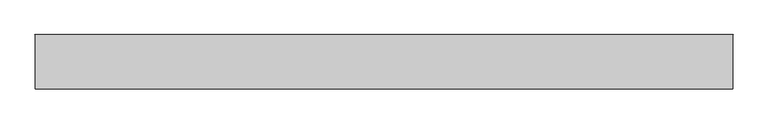
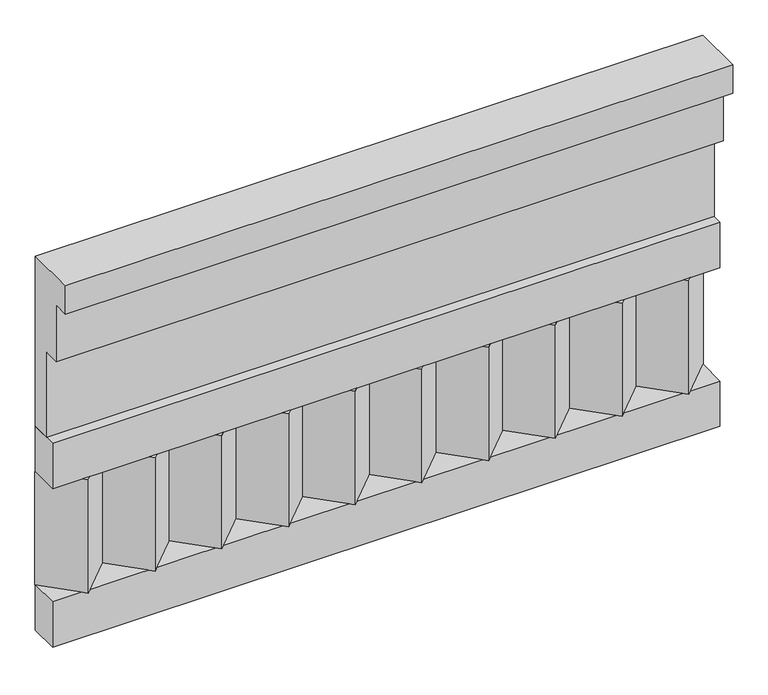
"""IFC4 building model written with IfcOpenShell, lengths in millimetres: railing geometry."""

from ifc_helpers import new_model, si_unit, frame, origin, place, context, project, spatial, polyline, outline, extrude, source, transform, mapped, element, save


def railing_40d311a4(model_context):
    return source(origin(), model_context, "Body", "SweptSolid", [
        extrude(outline(polyline([(-16816.8920513, 15205.0), (-16816.8920513, 14755.0), (-16866.8920513, 14755.0), (-16866.8920513, 14980.0), (-16906.8920513, 14980.0), (-16906.8920513, 15130.0), (-16946.8920513, 15130.0), (-16946.8920513, 15205.0), (-16816.8920513, 15205.0)])), frame((36460.0112841, 0.0, 0.0), z_axis=(1.0, 0.0, 0.0), x_axis=(0.0, 1.0, 0.0)), (0.0, 0.0, 1.0), 1670.0),
        extrude(outline(polyline([(36460.0112841, -16891.8920513), (36460.0112841, -16816.8920513), (38130.0112841, -16816.8920513), (38130.0112841, -16891.8920513), (36460.0112841, -16891.8920513)])), frame((0.0, 0.0, 14635.0), z_axis=(0.0, 0.0, 1.0), x_axis=(1.0, 0.0, 0.0)), (0.0, 0.0, 1.0), 120.0),
        extrude(outline(polyline([(36460.0112841, -16891.8920513), (36460.0112841, -16816.8920513), (38130.0112841, -16816.8920513), (38130.0112841, -16891.8920513), (36460.0112841, -16891.8920513)])), frame((0.0, 0.0, 14215.0), z_axis=(0.0, 0.0, 1.0), x_axis=(1.0, 0.0, 0.0)), (0.0, 0.0, 1.0), 120.0),
        extrude(outline(polyline([(38046.5112841, -16901.7448651), (37961.6584704, -16816.8920513), (38131.3640978, -16816.8920513), (38046.5112841, -16901.7448651)])), frame((0.0, 0.0, 14335.0), z_axis=(0.0, 0.0, 1.0), x_axis=(1.0, 0.0, 0.0)), (0.0, 0.0, 1.0), 300.0),
        extrude(outline(polyline([(37879.5112841, -16901.7448651), (37794.6584704, -16816.8920513), (37964.3640978, -16816.8920513), (37879.5112841, -16901.7448651)])), frame((0.0, 0.0, 14335.0), z_axis=(0.0, 0.0, 1.0), x_axis=(1.0, 0.0, 0.0)), (0.0, 0.0, 1.0), 300.0),
        extrude(outline(polyline([(37712.5112841, -16901.7448651), (37627.6584704, -16816.8920513), (37797.3640978, -16816.8920513), (37712.5112841, -16901.7448651)])), frame((0.0, 0.0, 14335.0), z_axis=(0.0, 0.0, 1.0), x_axis=(1.0, 0.0, 0.0)), (0.0, 0.0, 1.0), 300.0),
        extrude(outline(polyline([(37545.5112841, -16901.7448651), (37460.6584704, -16816.8920513), (37630.3640978, -16816.8920513), (37545.5112841, -16901.7448651)])), frame((0.0, 0.0, 14335.0), z_axis=(0.0, 0.0, 1.0), x_axis=(1.0, 0.0, 0.0)), (0.0, 0.0, 1.0), 300.0),
        extrude(outline(polyline([(37378.5112841, -16901.7448651), (37293.6584704, -16816.8920513), (37463.3640978, -16816.8920513), (37378.5112841, -16901.7448651)])), frame((0.0, 0.0, 14335.0), z_axis=(0.0, 0.0, 1.0), x_axis=(1.0, 0.0, 0.0)), (0.0, 0.0, 1.0), 300.0),
        extrude(outline(polyline([(37211.5112841, -16901.7448651), (37126.6584704, -16816.8920513), (37296.3640978, -16816.8920513), (37211.5112841, -16901.7448651)])), frame((0.0, 0.0, 14335.0), z_axis=(0.0, 0.0, 1.0), x_axis=(1.0, 0.0, 0.0)), (0.0, 0.0, 1.0), 300.0),
        extrude(outline(polyline([(37044.5112841, -16901.7448651), (36959.6584704, -16816.8920513), (37129.3640978, -16816.8920513), (37044.5112841, -16901.7448651)])), frame((0.0, 0.0, 14335.0), z_axis=(0.0, 0.0, 1.0), x_axis=(1.0, 0.0, 0.0)), (0.0, 0.0, 1.0), 300.0),
        extrude(outline(polyline([(36877.5112841, -16901.7448651), (36792.6584704, -16816.8920513), (36962.3640978, -16816.8920513), (36877.5112841, -16901.7448651)])), frame((0.0, 0.0, 14335.0), z_axis=(0.0, 0.0, 1.0), x_axis=(1.0, 0.0, 0.0)), (0.0, 0.0, 1.0), 300.0),
        extrude(outline(polyline([(36710.5112841, -16901.7448651), (36625.6584704, -16816.8920513), (36795.3640978, -16816.8920513), (36710.5112841, -16901.7448651)])), frame((0.0, 0.0, 14335.0), z_axis=(0.0, 0.0, 1.0), x_axis=(1.0, 0.0, 0.0)), (0.0, 0.0, 1.0), 300.0),
        extrude(outline(polyline([(36543.5112841, -16901.7448651), (36458.6584704, -16816.8920513), (36628.3640978, -16816.8920513), (36543.5112841, -16901.7448651)])), frame((0.0, 0.0, 14335.0), z_axis=(0.0, 0.0, 1.0), x_axis=(1.0, 0.0, 0.0)), (0.0, 0.0, 1.0), 300.0),
    ])


if __name__ == "__main__":
    model = new_model("IFC4")
    model_context = context("Model", 3, world=origin())
    ifc_project = project(units=[si_unit("LENGTHUNIT", "METRE", prefix="MILLI")], contexts=[model_context])
    site = spatial("IfcSite", under=ifc_project)
    building = spatial("IfcBuilding", under=site)
    placement = place(None, origin())
    railing_shape = railing_40d311a4(model_context)
    element("IfcRailing", 1, at=placement, inside=building, context=model_context, shape_type="MappedRepresentation", body=[
        mapped(railing_shape, transform((0.0, 0.0, 0.0), x_axis=(1.0, 0.0, 0.0), y_axis=(0.0, 1.0, 0.0), z_axis=(0.0, 0.0, 1.0))),
    ])
    save(model, "model.ifc")
